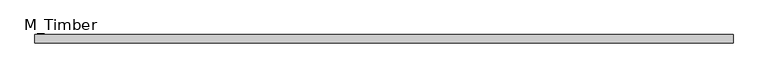
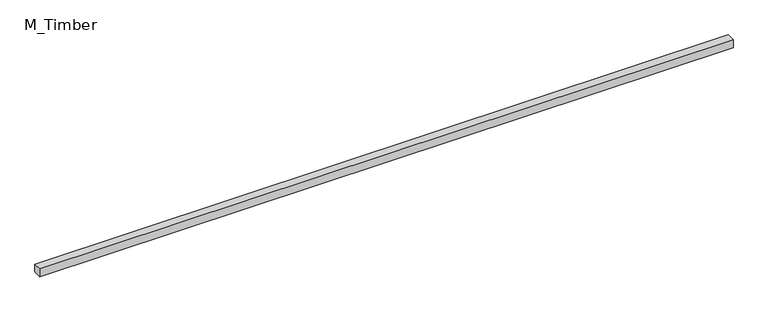
"""IFC4 building model written with IfcOpenShell, lengths in millimetres: beam geometry, M_Timber."""

from ifc_helpers import new_model, si_unit, frame, origin, place, context, project, spatial, polyline, outline, extrude, source, transform, mapped, element, save


def m_timber_0a911890(model_context):
    return source(origin(), model_context, "Body", "SweptSolid", [
        extrude(outline(polyline([(1641.9983723, 20.0), (1641.9983723, -20.0), (-1641.9983723, -20.0), (-1641.9983723, 20.0), (1641.9983723, 20.0)])), frame((0.0, 0.0, -20.0), z_axis=(0.0, 0.0, 1.0), x_axis=(1.0, 0.0, 0.0)), (0.0, 0.0, 1.0), 40.0),
    ])


if __name__ == "__main__":
    model = new_model("IFC4")
    model_context = context("Model", 3, world=origin())
    ifc_project = project(units=[si_unit("LENGTHUNIT", "METRE", prefix="MILLI")], contexts=[model_context])
    site = spatial("IfcSite", under=ifc_project)
    building = spatial("IfcBuilding", under=site)
    placement = place(None, origin())
    m_timber_shape = m_timber_0a911890(model_context)
    element("IfcBeam", 1, ObjectType="M_Timber", at=placement, inside=building, context=model_context, shape_type="MappedRepresentation", body=[
        mapped(m_timber_shape, transform((0.0, 0.0, 0.0), x_axis=(1.0, 0.0, 0.0), y_axis=(0.0, 1.0, 0.0), z_axis=(0.0, 0.0, 1.0))),
    ])
    save(model, "model.ifc")
